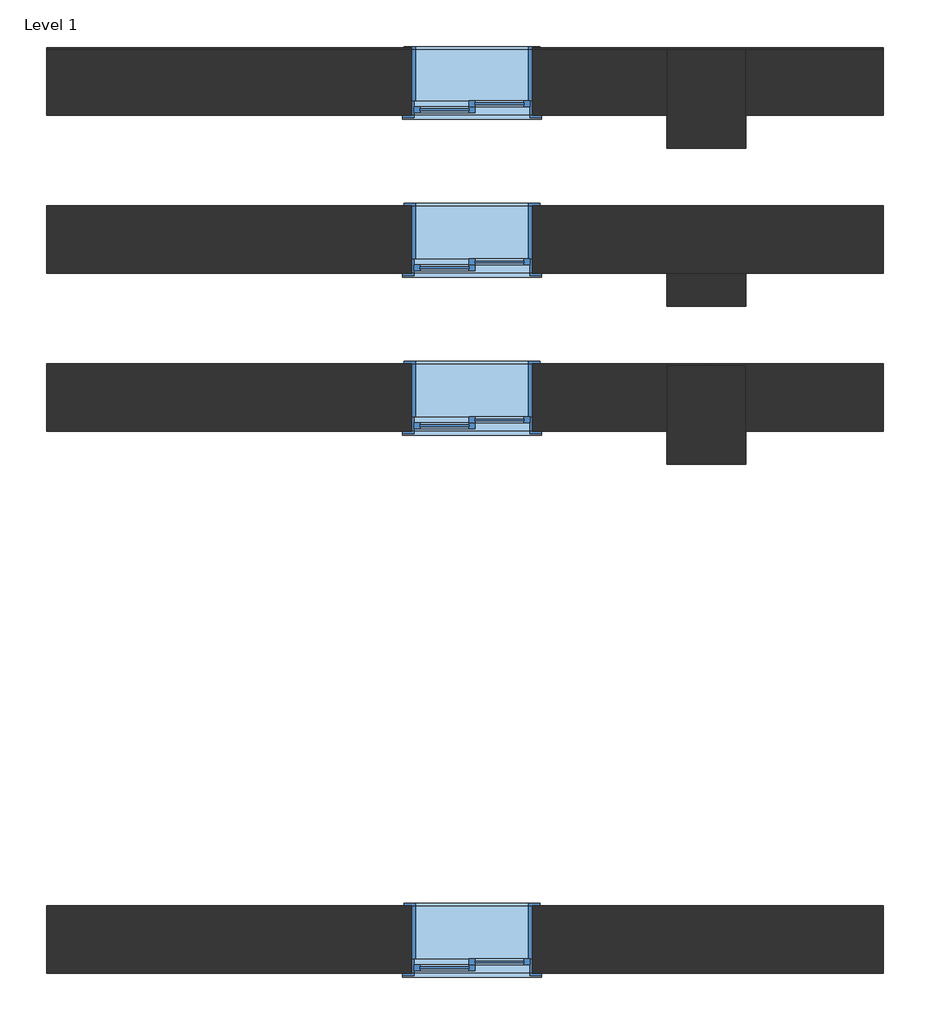
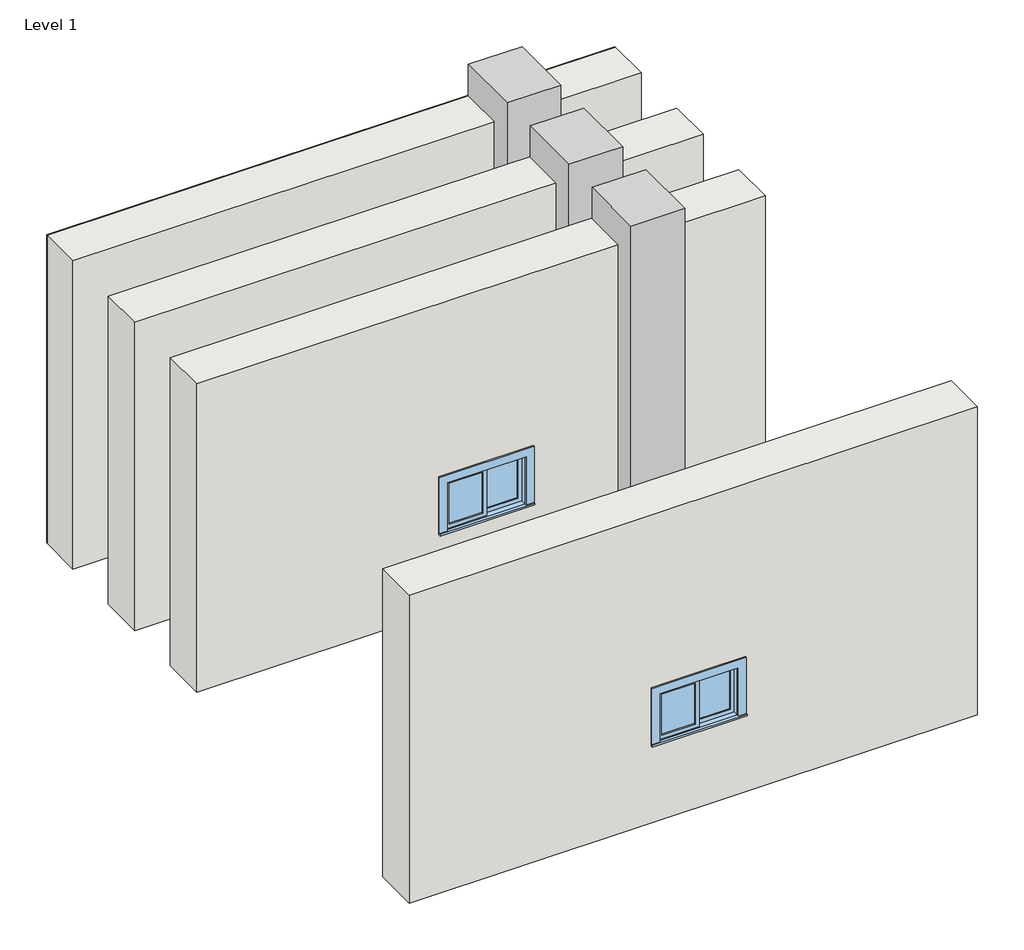
# One storey: 6 walls, 4 windows, 3 columns.
"""IFC4 building model written with IfcOpenShell, lengths in millimetres."""

import ifcopenshell
import ifcopenshell.guid

model = None  # the IFC model being written
_history = None  # IfcOwnerHistory: only IFC2X3 demands one
_inside = {}  # id of a spatial element -> (the spatial element, [elements in it])
_under = {}  # id of a project, library or spatial element -> (it, [spatial elements below it])
_declared = {}  # id of a project -> (the project, [libraries it declares])
_typed = {}  # id of a type object -> (the type object, [elements of that type])
_made_of = {}  # id of a material, layer set ... -> (it, [elements and type objects made of it])


def new_model(schema):
    """Start an empty IFC model of exactly this schema.

    Asked for "IFC4X3", IfcOpenShell would pick the latest addendum, in which some entities
    have other attributes; the version numbers below select the first issue.
    IFC2X3 requires an IfcOwnerHistory on every rooted entity: one is made here for all.
    """
    global model, _history
    if schema == "IFC4X3":
        model = ifcopenshell.file(schema_version=(4, 3, 0, 0))
    else:
        model = ifcopenshell.file(schema=schema)
    _inside.clear()
    _under.clear()
    _declared.clear()
    _typed.clear()
    _made_of.clear()
    _history = None
    if model.schema == "IFC2X3":
        org = make("IfcOrganization", Name="unknown")
        user = make(
            "IfcPersonAndOrganization",
            ThePerson=make("IfcPerson", FamilyName="unknown"),
            TheOrganization=org,
        )
        app = make(
            "IfcApplication",
            ApplicationDeveloper=org,
            Version="unknown",
            ApplicationFullName="unknown",
            ApplicationIdentifier="unknown",
        )
        _history = make(
            "IfcOwnerHistory",
            OwningUser=user,
            OwningApplication=app,
            ChangeAction="ADDED",
            CreationDate=0,
        )
    return model


def make(cls, **values):
    """One entity of the class cls with the attributes given. An attribute that is None is left unset."""
    return model.create_entity(
        cls, **{name: value for name, value in values.items() if value is not None}
    )


def rooted(cls, **values):
    """An entity with a GlobalId (a new one), such as an element, a storey or a relation."""
    return make(cls, GlobalId=ifcopenshell.guid.new(), OwnerHistory=_history, **values)


def si_unit(unit_type, name, prefix=None):
    """IfcSIUnit, for example si_unit("LENGTHUNIT", "METRE", prefix="MILLI")."""
    return make("IfcSIUnit", UnitType=unit_type, Prefix=prefix, Name=name)


def assignment(units):
    """IfcUnitAssignment: the units of a project."""
    return None if units is None else make("IfcUnitAssignment", Units=units)


def point(xyz):
    """IfcCartesianPoint."""
    return None if xyz is None else make("IfcCartesianPoint", Coordinates=xyz)


def direction(xyz):
    """IfcDirection."""
    return None if xyz is None else make("IfcDirection", DirectionRatios=xyz)


def frame(location, z_axis=None, x_axis=None):
    """IfcAxis2Placement3D, a coordinate frame: its origin and axes. An axis left out is left unset."""
    return make(
        "IfcAxis2Placement3D",
        Location=point(location),
        Axis=direction(z_axis),
        RefDirection=direction(x_axis),
    )


def origin():
    """The frame at (0, 0, 0) with its axes left unset."""
    return frame((0.0, 0.0, 0.0))


def origin_with_axes():
    """The frame at (0, 0, 0) with the z axis (0, 0, 1) and the x axis (1, 0, 0) written out."""
    return frame((0.0, 0.0, 0.0), z_axis=(0.0, 0.0, 1.0), x_axis=(1.0, 0.0, 0.0))


def place(relative_to, where):
    """IfcLocalPlacement: puts the frame where relative to a parent placement (None: the world)."""
    return make(
        "IfcLocalPlacement", PlacementRelTo=relative_to, RelativePlacement=where
    )


def context(
    kind, dimensions, precision=None, world=None, true_north=None, identifier=None
):
    """IfcGeometricRepresentationContext, for example the 3D "Model" context."""
    return make(
        "IfcGeometricRepresentationContext",
        ContextIdentifier=identifier,
        ContextType=kind,
        CoordinateSpaceDimension=dimensions,
        Precision=precision,
        WorldCoordinateSystem=world,
        TrueNorth=true_north,
    )


def project(units=None, contexts=None):
    """IfcProject with its units and contexts."""
    return rooted(
        "IfcProject",
        Name="project",
        RepresentationContexts=contexts,
        UnitsInContext=assignment(units),
    )


def spatial(cls, under=None, at=None, **own):
    """A site, building, storey or space (cls), placed at a placement, below another one or the project."""
    s = rooted(cls, ObjectPlacement=at, **own)
    if under is not None:
        _under.setdefault(under.id(), (under, []))[1].append(s)
    return s


def polyline(points):
    """IfcPolyline through the points."""
    return make("IfcPolyline", Points=[point(p) for p in points])


def outline(outer, holes=None, kind="AREA"):
    """IfcArbitraryClosedProfileDef: a profile drawn as a closed curve; with holes, ...WithVoids."""
    if holes is None:
        return make("IfcArbitraryClosedProfileDef", ProfileType=kind, OuterCurve=outer)
    return make(
        "IfcArbitraryProfileDefWithVoids",
        ProfileType=kind,
        OuterCurve=outer,
        InnerCurves=holes,
    )


def extrude(swept, where, along, depth):
    """IfcExtrudedAreaSolid: the profile swept, set in the frame where, extruded along a direction by depth."""
    return make(
        "IfcExtrudedAreaSolid",
        SweptArea=swept,
        Position=where,
        ExtrudedDirection=direction(along),
        Depth=depth,
    )


def faces_of(points, faces, orient=None, outer=None):
    """IfcFace entities. A face is a list of loops; a loop is a list of indices into points, from 0.

    orient and outer hold one flag for each loop. By default every Orientation is true, the
    first loop of a face is its IfcFaceOuterBound and the others are IfcFaceBound.
    """
    made = []
    for i, loops in enumerate(faces):
        bounds = []
        for j, loop in enumerate(loops):
            is_outer = j == 0 if outer is None else outer[i][j]
            bounds.append(
                make(
                    "IfcFaceOuterBound" if is_outer else "IfcFaceBound",
                    Bound=make("IfcPolyLoop", Polygon=[points[k] for k in loop]),
                    Orientation=True if orient is None else orient[i][j],
                )
            )
        made.append(make("IfcFace", Bounds=bounds))
    return made


def faceted_brep(points, faces, orient=None, outer=None, voids=None):
    """IfcFacetedBrep: a solid bounded by flat faces; with voids (closed shells), ...WithVoids."""
    shared = [point(p) for p in points]
    hull = make("IfcClosedShell", CfsFaces=faces_of(shared, faces, orient, outer))
    if voids is None:
        return make("IfcFacetedBrep", Outer=hull)
    return make(
        "IfcFacetedBrepWithVoids",
        Outer=hull,
        Voids=[
            make(cls, CfsFaces=faces_of(shared, fs, o, b)) for cls, fs, o, b in voids
        ],
    )


def shape(context_of_items, identifier, shape_type, items):
    """IfcShapeRepresentation: the items that make up one representation, for example the "Body"."""
    return make(
        "IfcShapeRepresentation",
        ContextOfItems=context_of_items,
        RepresentationIdentifier=identifier,
        RepresentationType=shape_type,
        Items=items,
    )


def source(mapping_origin, context_of_items, identifier, shape_type, items):
    """IfcRepresentationMap: a shape defined once, which mapped items show again and again."""
    return make(
        "IfcRepresentationMap",
        MappingOrigin=mapping_origin,
        MappedRepresentation=shape(context_of_items, identifier, shape_type, items),
    )


def transform(
    local_origin,
    x_axis=None,
    y_axis=None,
    z_axis=None,
    scale=None,
    scale2=None,
    scale3=None,
    uniform=True,
):
    """IfcCartesianTransformationOperator3D, or its non-uniform kind. x_axis, y_axis, z_axis: its Axis1, 2, 3."""
    if uniform:
        return make(
            "IfcCartesianTransformationOperator3D",
            Axis1=direction(x_axis),
            Axis2=direction(y_axis),
            LocalOrigin=point(local_origin),
            Scale=scale,
            Axis3=direction(z_axis),
        )
    return make(
        "IfcCartesianTransformationOperator3DnonUniform",
        Axis1=direction(x_axis),
        Axis2=direction(y_axis),
        LocalOrigin=point(local_origin),
        Scale=scale,
        Axis3=direction(z_axis),
        Scale2=scale2,
        Scale3=scale3,
    )


def mapped(mapping_source, mapping_target):
    """IfcMappedItem: shows the shape of a source again, moved by a transform."""
    return make(
        "IfcMappedItem", MappingSource=mapping_source, MappingTarget=mapping_target
    )


def made_of(thing, what):
    """Note that an element or type object is made of a material, layer set ...; save() writes the relation."""
    if what is not None:
        _made_of.setdefault(what.id(), (what, []))[1].append(thing)
    return thing


def element(
    cls,
    number,
    at=None,
    inside=None,
    cuts=None,
    type_object=None,
    material=None,
    context=None,
    identifier="Body",
    shape_type=None,
    held_by="IfcProductDefinitionShape",
    body=None,
    shapes=None,
    **own,
):
    """One element of the class cls, such as IfcWall. Its Tag is "e" and its number.

    at: its placement. inside: the storey or other place that contains it. cuts: it is an
    opening in that element (IfcRelVoidsElement). A single representation is given by context,
    identifier, shape_type and body (its items); several are given by shapes. held_by: the class
    of the entity that holds the representations. save() writes the other relations.
    """
    e = rooted(cls, Tag="e%d" % number, ObjectPlacement=at, **own)
    if body is not None:
        shapes = [shape(context, identifier, shape_type, body)]
    if shapes is not None:
        e.Representation = make(held_by, Representations=shapes)
    if inside is not None:
        _inside.setdefault(inside.id(), (inside, []))[1].append(e)
    if cuts is not None:
        rooted(
            "IfcRelVoidsElement", RelatingBuildingElement=cuts, RelatedOpeningElement=e
        )
    if type_object is not None:
        _typed.setdefault(type_object.id(), (type_object, []))[1].append(e)
    return made_of(e, material)


def aggregate(whole, parts):
    """IfcRelAggregates: a whole, such as a stair, and the parts it consists of."""
    return rooted("IfcRelAggregates", RelatingObject=whole, RelatedObjects=parts)


def save(model, path):
    """Write the relations noted so far, then the file.

    IfcRelAggregates (storeys below a building ...), IfcRelContainedInSpatialStructure (elements
    in a storey), IfcRelDefinesByType, IfcRelAssociatesMaterial and IfcRelDeclares: one each for
    every whole, place, type object, material and project.
    """
    for whole, parts in _under.values():
        aggregate(whole, parts)
    for where, things in _inside.values():
        rooted(
            "IfcRelContainedInSpatialStructure",
            RelatedElements=things,
            RelatingStructure=where,
        )
    for kind, things in _typed.values():
        rooted("IfcRelDefinesByType", RelatedObjects=things, RelatingType=kind)
    for what, things in _made_of.values():
        rooted("IfcRelAssociatesMaterial", RelatedObjects=things, RelatingMaterial=what)
    for by, libraries in _declared.values():
        rooted("IfcRelDeclares", RelatingContext=by, RelatedDefinitions=libraries)
    model.write(path)


def m_concrete_rectangular_column_600_x_750mm_4e279443(model_context):
    return source(origin(), model_context, "Body", "SweptSolid", [
        extrude(outline(polyline([(300.0, 375.0), (300.0, -375.0), (-300.0, -375.0), (-300.0, 375.0), (300.0, 375.0)])), origin_with_axes(), (0.0, 0.0, 1.0), 4000.0),
    ])


def m_sliding_with_trim_0915_x_0610mm_233786a7(model_context):
    return source(origin(), model_context, "Body", "SweptSolid", [
        extrude(outline(polyline([(-394.0, 175.675), (-22.225, 175.675), (-22.225, 162.975), (-394.0, 162.975), (-394.0, 175.675)])), frame((0.0, 0.0, 978.5), z_axis=(0.0, 0.0, 1.0), x_axis=(1.0, 0.0, 0.0)), (0.0, 0.0, 1.0), 483.0),
        extrude(outline(polyline([(1505.95, -438.45), (934.05, -438.45), (934.05, 22.225), (1505.95, 22.225), (1505.95, -438.45)]), holes=[polyline([(1461.5, -394.0), (1461.5, -22.225), (978.5, -22.225), (978.5, -394.0), (1461.5, -394.0)])]), frame((0.0, 147.1, 0.0), z_axis=(0.0, 1.0, 0.0), x_axis=(0.0, 0.0, 1.0)), (0.0, 0.0, 1.0), 44.45),
        extrude(outline(polyline([(-527.45, 286.7), (527.45, 286.7), (527.45, 255.0), (-527.45, 255.0), (-527.45, 286.7)])), frame((0.0, 0.0, 915.0), z_axis=(0.0, 0.0, 1.0), x_axis=(1.0, 0.0, 0.0)), (0.0, 0.0, 1.0), 19.05),
        extrude(outline(polyline([(1505.95, -438.45), (1505.95, 438.45), (934.05, 438.45), (934.05, 527.45), (1594.95, 527.45), (1594.95, -527.45), (934.05, -527.45), (934.05, -438.45), (1505.95, -438.45)])), frame((0.0, 255.0, 0.0), z_axis=(0.0, 1.0, 0.0), x_axis=(0.0, 0.0, 1.0)), (0.0, 0.0, 1.0), 19.0),
        extrude(outline(polyline([(1582.25, 514.75), (1582.25, -514.75), (857.75, -514.75), (857.75, 514.75), (1582.25, 514.75)]), holes=[polyline([(1493.25, 425.75), (946.75, 425.75), (946.75, -425.75), (1493.25, -425.75), (1493.25, 425.75)])]), frame((0.0, -274.0, 0.0), z_axis=(0.0, 1.0, 0.0), x_axis=(0.0, 0.0, 1.0)), (0.0, 0.0, 1.0), 19.0),
        extrude(outline(polyline([(394.0, 207.425), (22.225, 207.425), (22.225, 220.125), (394.0, 220.125), (394.0, 207.425)])), frame((0.0, 0.0, 978.5), z_axis=(0.0, 0.0, 1.0), x_axis=(1.0, 0.0, 0.0)), (0.0, 0.0, 1.0), 483.0),
        extrude(outline(polyline([(1505.95, -22.225), (934.05, -22.225), (934.05, 438.45), (1505.95, 438.45), (1505.95, -22.225)]), holes=[polyline([(1461.5, 22.225), (1461.5, 394.0), (978.5, 394.0), (978.5, 22.225), (1461.5, 22.225)])]), frame((0.0, 191.55, 0.0), z_axis=(0.0, 1.0, 0.0), x_axis=(0.0, 0.0, 1.0)), (0.0, 0.0, 1.0), 44.45),
        extrude(outline(polyline([(1525.0, -457.5), (915.0, -457.5), (915.0, 457.5), (1525.0, 457.5), (1525.0, -457.5)]), holes=[polyline([(1493.25, -425.75), (1493.25, 425.75), (946.75, 425.75), (946.75, -425.75), (1493.25, -425.75)])]), frame((0.0, -255.0, 0.0), z_axis=(0.0, 1.0, 0.0), x_axis=(0.0, 0.0, 1.0)), (0.0, 0.0, 1.0), 402.1),
        extrude(outline(polyline([(1525.0, 457.5), (1525.0, -457.5), (915.0, -457.5), (915.0, 457.5), (1525.0, 457.5)]), holes=[polyline([(1505.95, 438.45), (934.05, 438.45), (934.05, -438.45), (1505.95, -438.45), (1505.95, 438.45)])]), frame((0.0, 147.1, 0.0), z_axis=(0.0, 1.0, 0.0), x_axis=(0.0, 0.0, 1.0)), (0.0, 0.0, 1.0), 107.9),
    ])


def m_sliding_with_trim_0915_x_0610mm_1f1e46f2(model_context):
    return source(origin(), model_context, "Body", "SweptSolid", [
        extrude(outline(polyline([(-394.0, 170.675), (-22.225, 170.675), (-22.225, 157.975), (-394.0, 157.975), (-394.0, 170.675)])), frame((0.0, 0.0, 978.5), z_axis=(0.0, 0.0, 1.0), x_axis=(1.0, 0.0, 0.0)), (0.0, 0.0, 1.0), 483.0),
        extrude(outline(polyline([(1505.95, -438.45), (934.05, -438.45), (934.05, 22.225), (1505.95, 22.225), (1505.95, -438.45)]), holes=[polyline([(1461.5, -394.0), (1461.5, -22.225), (978.5, -22.225), (978.5, -394.0), (1461.5, -394.0)])]), frame((0.0, 142.1, 0.0), z_axis=(0.0, 1.0, 0.0), x_axis=(0.0, 0.0, 1.0)), (0.0, 0.0, 1.0), 44.45),
        extrude(outline(polyline([(-527.45, 281.7), (527.45, 281.7), (527.45, 250.0), (-527.45, 250.0), (-527.45, 281.7)])), frame((0.0, 0.0, 915.0), z_axis=(0.0, 0.0, 1.0), x_axis=(1.0, 0.0, 0.0)), (0.0, 0.0, 1.0), 19.05),
        extrude(outline(polyline([(1505.95, -438.45), (1505.95, 438.45), (934.05, 438.45), (934.05, 527.45), (1594.95, 527.45), (1594.95, -527.45), (934.05, -527.45), (934.05, -438.45), (1505.95, -438.45)])), frame((0.0, 250.0, 0.0), z_axis=(0.0, 1.0, 0.0), x_axis=(0.0, 0.0, 1.0)), (0.0, 0.0, 1.0), 19.0),
        extrude(outline(polyline([(1582.25, 514.75), (1582.25, -514.75), (857.75, -514.75), (857.75, 514.75), (1582.25, 514.75)]), holes=[polyline([(1493.25, 425.75), (946.75, 425.75), (946.75, -425.75), (1493.25, -425.75), (1493.25, 425.75)])]), frame((0.0, -269.0, 0.0), z_axis=(0.0, 1.0, 0.0), x_axis=(0.0, 0.0, 1.0)), (0.0, 0.0, 1.0), 19.0),
        extrude(outline(polyline([(394.0, 202.425), (22.225, 202.425), (22.225, 215.125), (394.0, 215.125), (394.0, 202.425)])), frame((0.0, 0.0, 978.5), z_axis=(0.0, 0.0, 1.0), x_axis=(1.0, 0.0, 0.0)), (0.0, 0.0, 1.0), 483.0),
        extrude(outline(polyline([(1505.95, -22.225), (934.05, -22.225), (934.05, 438.45), (1505.95, 438.45), (1505.95, -22.225)]), holes=[polyline([(1461.5, 22.225), (1461.5, 394.0), (978.5, 394.0), (978.5, 22.225), (1461.5, 22.225)])]), frame((0.0, 186.55, 0.0), z_axis=(0.0, 1.0, 0.0), x_axis=(0.0, 0.0, 1.0)), (0.0, 0.0, 1.0), 44.45),
        extrude(outline(polyline([(1525.0, -457.5), (915.0, -457.5), (915.0, 457.5), (1525.0, 457.5), (1525.0, -457.5)]), holes=[polyline([(1493.25, -425.75), (1493.25, 425.75), (946.75, 425.75), (946.75, -425.75), (1493.25, -425.75)])]), frame((0.0, -250.0, 0.0), z_axis=(0.0, 1.0, 0.0), x_axis=(0.0, 0.0, 1.0)), (0.0, 0.0, 1.0), 392.1),
        extrude(outline(polyline([(1525.0, 457.5), (1525.0, -457.5), (915.0, -457.5), (915.0, 457.5), (1525.0, 457.5)]), holes=[polyline([(1505.95, 438.45), (934.05, 438.45), (934.05, -438.45), (1505.95, -438.45), (1505.95, 438.45)])]), frame((0.0, 142.1, 0.0), z_axis=(0.0, 1.0, 0.0), x_axis=(0.0, 0.0, 1.0)), (0.0, 0.0, 1.0), 107.9),
    ])


model = new_model("IFC4")

# Units and contexts
model_context = context("Model", 3, world=origin())
ifc_project = project(units=[si_unit("LENGTHUNIT", "METRE", prefix="MILLI")], contexts=[model_context])

# Site, building, storey
site = spatial("IfcSite", under=ifc_project)
building = spatial("IfcBuilding", under=site)
storey = spatial("IfcBuildingStorey", under=building, Name="Level 1", Elevation=0.0)

# Columns
placement = place(None, origin())
element("IfcColumn", 1, ObjectType="M_Concrete-Rectangular-Column : 600 x 750mm", at=placement, inside=storey, context=model_context, shape_type="Brep", body=[
    faceted_brep([(563.5297642, 2476.9857831, 0.0), (563.5297642, 1976.9857831, 0.0), (563.5297642, 1726.9857831, 0.0), (-36.4702358, 1726.9857831, 0.0), (-36.4702358, 1976.9857831, 0.0), (-36.4702358, 2476.9857831, 0.0), (283.5297642, 2476.9857831, 0.0), (563.5297642, 2476.9857831, 4000.0), (563.5297642, 1726.9857831, 4000.0), (563.5297642, 2476.9857831, 3630.0), (-36.4702358, 1726.9857831, 4000.0), (-36.4702358, 2476.9857831, 4000.0), (-36.4702358, 2476.9857831, 3630.0)], [[[0, 1, 2, 3, 4, 5, 6]], [[7, 8, 2, 1, 0, 9]], [[8, 10, 3, 2]], [[10, 11, 12, 5, 4, 3]], [[11, 7, 9, 0, 6, 5, 12]], [[7, 11, 10, 8]]]),
])
element("IfcColumn", 2, ObjectType="M_Concrete-Rectangular-Column : 600 x 750mm", at=placement, inside=storey, context=model_context, shape_type="Brep", body=[
    faceted_brep([(563.5297642, 4867.3857831, 0.0), (563.5297642, 4367.3857831, 0.0), (563.5297642, 4117.3857831, 0.0), (-36.4702358, 4117.3857831, 0.0), (-36.4702358, 4367.3857831, 0.0), (-36.4702358, 4867.3857831, 0.0), (563.5297642, 4867.3857831, 4000.0), (563.5297642, 4117.3857831, 4000.0), (563.5297642, 4867.3857831, 3630.0), (-36.4702358, 4117.3857831, 4000.0), (-36.4702358, 4867.3857831, 4000.0), (-36.4702358, 4867.3857831, 3630.0)], [[[0, 1, 2, 3, 4, 5]], [[6, 7, 2, 1, 0, 8]], [[7, 9, 3, 2]], [[9, 10, 11, 5, 4, 3]], [[10, 6, 8, 0, 5, 11]], [[6, 10, 9, 7]]]),
])
m_concrete_rectangular_column_600_x_750mm_shape = m_concrete_rectangular_column_600_x_750mm_4e279443(model_context)
element("IfcColumn", 3, ObjectType="M_Concrete-Rectangular-Column : 600 x 750mm", at=placement, inside=storey, context=model_context, shape_type="MappedRepresentation", body=[
    mapped(m_concrete_rectangular_column_600_x_750mm_shape, transform((263.5297642, 3297.1857831, 0.0), x_axis=(1.0, 0.0, 0.0), y_axis=(0.0, 1.0, 0.0), z_axis=(0.0, 0.0, 1.0))),
])

# Walls
element("IfcWall", 4, at=placement, inside=storey, context=model_context, shape_type="SweptSolid", body=[
    extrude(outline(polyline([(283.5297642, 2486.9857831), (1603.5297642, 2486.9857831), (1603.5297642, 1976.9857831), (563.5297642, 1976.9857831), (563.5297642, 2476.9857831), (283.5297642, 2476.9857831), (283.5297642, 2486.9857831)])), origin_with_axes(), (0.0, 0.0, 1.0), 3630.0),
])
element("IfcWall", 5, at=placement, inside=storey, context=model_context, shape_type="SweptSolid", body=[
    extrude(outline(polyline([(0.0, 1603.5297642), (3630.0, 1603.5297642), (3630.0, -4729.5840774), (0.0, -4729.5840774), (0.0, 1603.5297642)]), holes=[polyline([(1525.0, -1967.0840774), (1525.0, -1052.0840774), (915.0, -1052.0840774), (915.0, -1967.0840774), (1525.0, -1967.0840774)])]), frame((0.0, -2123.0142169, 0.0), z_axis=(0.0, 1.0, 0.0), x_axis=(0.0, 0.0, 1.0)), (0.0, 0.0, 1.0), 510.0),
])
element("IfcWall", 6, at=placement, inside=storey, context=model_context, shape_type="SweptSolid", body=[
    extrude(outline(polyline([(0.0, 1603.5297642), (3630.0, 1603.5297642), (3630.0, -4729.5840774), (0.0, -4729.5840774), (0.0, 1603.5297642)]), holes=[polyline([(1525.0, -1967.0840774), (1525.0, -1052.0840774), (915.0, -1052.0840774), (915.0, -1967.0840774), (1525.0, -1967.0840774)])]), frame((0.0, 3172.1857831, 0.0), z_axis=(0.0, 1.0, 0.0), x_axis=(0.0, 0.0, 1.0)), (0.0, 0.0, 1.0), 510.0),
])
element("IfcWall", 7, at=placement, inside=storey, context=model_context, shape_type="Brep", body=[
    faceted_brep([(283.5297642, 2486.9857831, 0.0), (-4729.5840774, 2486.9857831, 0.0), (-4729.5840774, 2486.9857831, 3630.0), (283.5297642, 2486.9857831, 3630.0), (-1052.0840774, 2486.9857831, 1525.0), (-1967.0840774, 2486.9857831, 1525.0), (-1967.0840774, 2486.9857831, 915.0), (-1052.0840774, 2486.9857831, 915.0), (-4729.5840774, 1976.9857831, 3630.0), (-4729.5840774, 1976.9857831, 0.0), (-36.4702358, 1976.9857831, 0.0), (-36.4702358, 1976.9857831, 3630.0), (-1967.0840774, 1976.9857831, 1525.0), (-1052.0840774, 1976.9857831, 1525.0), (-1052.0840774, 1976.9857831, 915.0), (-1967.0840774, 1976.9857831, 915.0), (283.5297642, 2476.9857831, 0.0), (-36.4702358, 2476.9857831, 0.0), (-36.4702358, 2476.9857831, 3630.0), (283.5297642, 2476.9857831, 3630.0)], [[[0, 1, 2, 3], [4, 5, 6, 7]], [[8, 9, 10, 11], [12, 13, 14, 15]], [[1, 0, 16, 17, 10, 9]], [[2, 1, 9, 8]], [[3, 2, 8, 11, 18, 19]], [[0, 3, 19, 16]], [[5, 4, 13, 12]], [[4, 7, 14, 13]], [[7, 6, 15, 14]], [[6, 5, 12, 15]], [[17, 18, 11, 10]], [[18, 17, 16, 19]]]),
])
element("IfcWall", 8, at=placement, inside=storey, context=model_context, shape_type="SweptSolid", body=[
    extrude(outline(polyline([(3630.0, -4729.5840774), (0.0, -4729.5840774), (0.0, -36.4702358), (3630.0, -36.4702358), (3630.0, -4729.5840774)]), holes=[polyline([(915.0, -1967.0840774), (1525.0, -1967.0840774), (1525.0, -1052.0840774), (915.0, -1052.0840774), (915.0, -1967.0840774)])]), frame((0.0, 4367.3857831, 0.0), z_axis=(0.0, 1.0, 0.0), x_axis=(0.0, 0.0, 1.0)), (0.0, 0.0, 1.0), 500.0),
    extrude(outline(polyline([(1603.5297642, 4867.3857831), (1603.5297642, 4367.3857831), (563.5297642, 4367.3857831), (563.5297642, 4867.3857831), (1603.5297642, 4867.3857831)])), origin_with_axes(), (0.0, 0.0, 1.0), 3630.0),
])
element("IfcWall", 9, ObjectType="Generic - 10 mm_Plaster", at=placement, inside=storey, context=model_context, shape_type="Brep", body=[
    faceted_brep([(1603.5297642, 4877.3857831, 0.0), (-4729.5840774, 4877.3857831, 0.0), (-4729.5840774, 4877.3857831, 3630.0), (1603.5297642, 4877.3857831, 3630.0), (-1967.0840774, 4877.3857831, 1525.0), (-1967.0840774, 4877.3857831, 915.0), (-1052.0840774, 4877.3857831, 915.0), (-1052.0840774, 4877.3857831, 1525.0), (1603.5297642, 4867.3857831, 0.0), (1603.5297642, 4867.3857831, 3630.0), (563.5297642, 4867.3857831, 3630.0), (-36.4702358, 4867.3857831, 3630.0), (-4729.5840774, 4867.3857831, 3630.0), (-4729.5840774, 4867.3857831, 0.0), (-36.4702358, 4867.3857831, 0.0), (563.5297642, 4867.3857831, 0.0), (-1967.0840774, 4867.3857831, 1525.0), (-1052.0840774, 4867.3857831, 1525.0), (-1052.0840774, 4867.3857831, 915.0), (-1967.0840774, 4867.3857831, 915.0)], [[[0, 1, 2, 3], [4, 5, 6, 7]], [[8, 9, 10, 11, 12, 13, 14, 15], [16, 17, 18, 19]], [[1, 0, 8, 15, 14, 13]], [[2, 1, 13, 12]], [[3, 2, 12, 11, 10, 9]], [[0, 3, 9, 8]], [[5, 4, 16, 19]], [[6, 5, 19, 18]], [[7, 6, 18, 17]], [[4, 7, 17, 16]]]),
])

# Windows
m_sliding_with_trim_0915_x_0610mm_shape = m_sliding_with_trim_0915_x_0610mm_233786a7(model_context)
element("IfcWindow", 10, ObjectType="M_Sliding with Trim : 0915 x 0610mm", at=placement, inside=storey, context=model_context, shape_type="MappedRepresentation", body=[
    mapped(m_sliding_with_trim_0915_x_0610mm_shape, transform((-1509.5840774, 2231.9857831, 0.0), x_axis=(-1.0, 0.0, 0.0), y_axis=(0.0, -1.0, 0.0), z_axis=(0.0, 0.0, 1.0))),
])
element("IfcWindow", 11, ObjectType="M_Sliding with Trim : 0915 x 0610mm", at=placement, inside=storey, context=model_context, shape_type="MappedRepresentation", body=[
    mapped(m_sliding_with_trim_0915_x_0610mm_shape, transform((-1509.5840774, -1868.0142169, 0.0), x_axis=(-1.0, 0.0, 0.0), y_axis=(0.0, -1.0, 0.0), z_axis=(0.0, 0.0, 1.0))),
])
element("IfcWindow", 12, ObjectType="M_Sliding with Trim : 0915 x 0610mm", at=placement, inside=storey, context=model_context, shape_type="MappedRepresentation", body=[
    mapped(m_sliding_with_trim_0915_x_0610mm_shape, transform((-1509.5840774, 3427.1857831, 0.0), x_axis=(-1.0, 0.0, 0.0), y_axis=(0.0, -1.0, 0.0), z_axis=(0.0, 0.0, 1.0))),
])
m_sliding_with_trim_0915_x_0610mm_2_shape = m_sliding_with_trim_0915_x_0610mm_1f1e46f2(model_context)
element("IfcWindow", 13, ObjectType="M_Sliding with Trim : 0915 x 0610mm", at=placement, inside=storey, context=model_context, shape_type="MappedRepresentation", body=[
    mapped(m_sliding_with_trim_0915_x_0610mm_2_shape, transform((-1509.5840774, 4617.3857831, 0.0), x_axis=(-1.0, 0.0, 0.0), y_axis=(0.0, -1.0, 0.0), z_axis=(0.0, 0.0, 1.0))),
])

save(model, "model.ifc")
